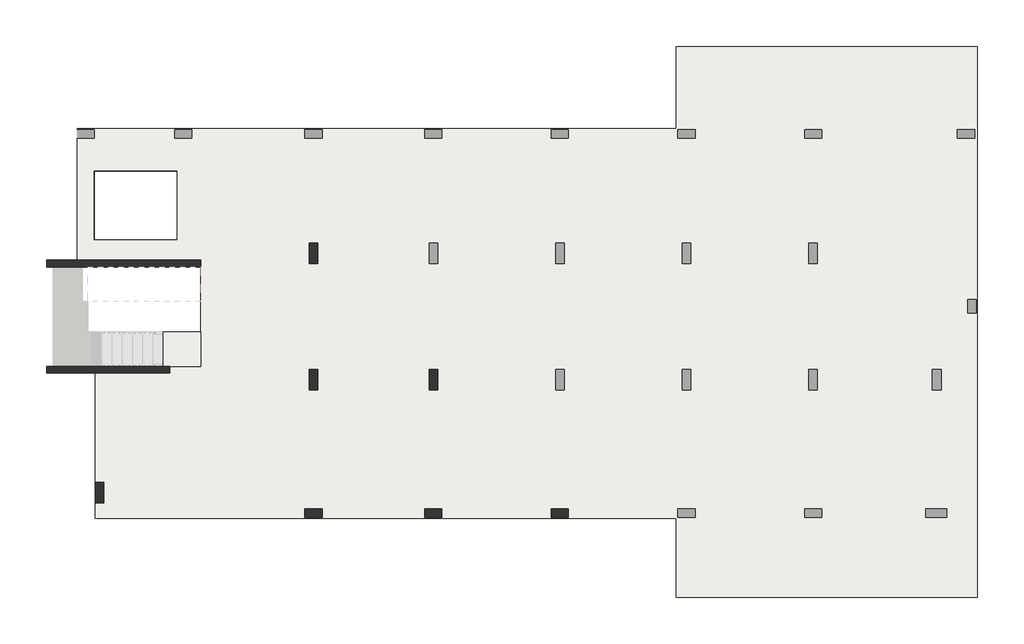
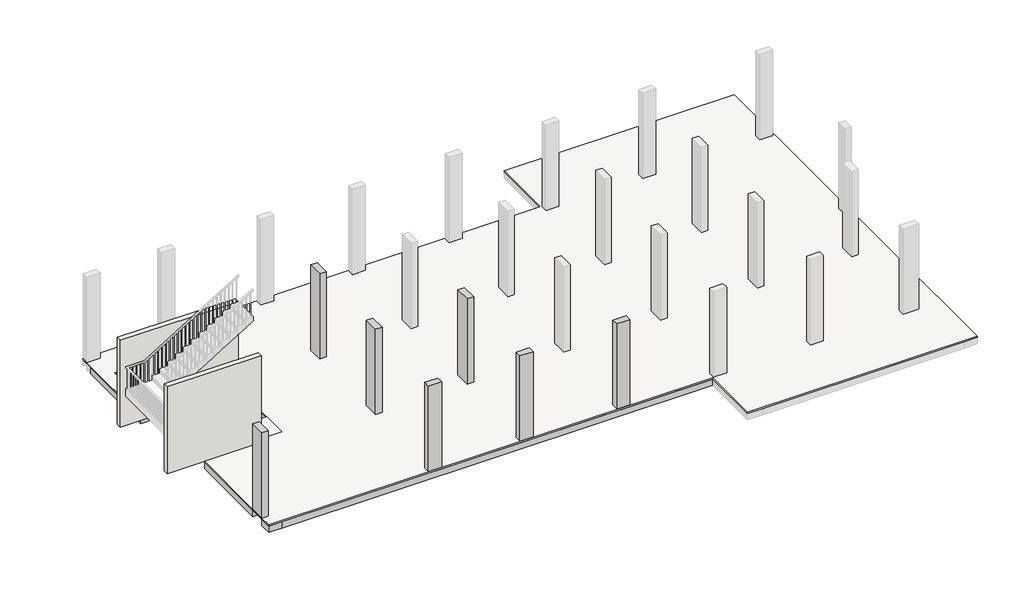
# One storey, part 1 of 5: 48 beams, 7 columns, 2 slabs, 2 walls.
"""IFC4 building model written with IfcOpenShell, lengths in millimetres."""

from ifc_helpers import new_model, si_unit, frame, origin, place, context, project, spatial, polyline, outline, extrude, faceted_brep, element, save

model = new_model("IFC4")

# Units and contexts
model_context = context("Model", 3, world=origin())
ifc_project = project(units=[si_unit("LENGTHUNIT", "METRE", prefix="MILLI")], contexts=[model_context])

# Site, building, storey
site = spatial("IfcSite", under=ifc_project)
building = spatial("IfcBuilding", under=site)
storey = spatial("IfcBuildingStorey", under=building, Elevation=7000.0)

# Beams
placement = place(None, origin())
element("IfcBeam", 1, ObjectType="B 150 x 250 mm", at=placement, inside=storey, context=model_context, shape_type="SweptSolid", body=[
    extrude(outline(polyline([(14525.0390798, -7596.8939341), (14675.0390798, -7596.8939341), (14675.0390798, -10746.893934), (14525.0390798, -10746.893934), (14525.0390798, -7596.8939341)])), frame((0.0, 0.0, 6700.0), z_axis=(0.0, 0.0, 1.0), x_axis=(1.0, 0.0, 0.0)), (0.0, 0.0, 1.0), 250.0),
])
element("IfcBeam", 2, ObjectType="B 150 x 250 mm", at=placement, inside=storey, context=model_context, shape_type="SweptSolid", body=[
    extrude(outline(polyline([(15075.0390798, -7596.8939341), (15225.0390798, -7596.8939341), (15225.0390798, -10746.893934), (15075.0390798, -10746.893934), (15075.0390798, -7596.8939341)])), frame((0.0, 0.0, 6700.0), z_axis=(0.0, 0.0, 1.0), x_axis=(1.0, 0.0, 0.0)), (0.0, 0.0, 1.0), 250.0),
])
element("IfcBeam", 3, ObjectType="B 150 x 250 mm", at=placement, inside=storey, context=model_context, shape_type="SweptSolid", body=[
    extrude(outline(polyline([(15625.0390798, -7596.8939341), (15775.0390798, -7596.8939341), (15775.0390798, -10746.893934), (15625.0390798, -10746.893934), (15625.0390798, -7596.8939341)])), frame((0.0, 0.0, 6700.0), z_axis=(0.0, 0.0, 1.0), x_axis=(1.0, 0.0, 0.0)), (0.0, 0.0, 1.0), 250.0),
])
element("IfcBeam", 4, ObjectType="B 150 x 250 mm", at=placement, inside=storey, context=model_context, shape_type="SweptSolid", body=[
    extrude(outline(polyline([(10825.0390798, -7596.8939341), (10975.0390798, -7596.8939341), (10975.0390798, -10746.893934), (10825.0390798, -10746.893934), (10825.0390798, -7596.8939341)])), frame((0.0, 0.0, 6700.0), z_axis=(0.0, 0.0, 1.0), x_axis=(1.0, 0.0, 0.0)), (0.0, 0.0, 1.0), 250.0),
])
element("IfcBeam", 5, ObjectType="B 150 x 250 mm", at=placement, inside=storey, context=model_context, shape_type="SweptSolid", body=[
    extrude(outline(polyline([(11375.0390798, -7596.8939341), (11525.0390798, -7596.8939341), (11525.0390798, -10746.893934), (11375.0390798, -10746.893934), (11375.0390798, -7596.8939341)])), frame((0.0, 0.0, 6700.0), z_axis=(0.0, 0.0, 1.0), x_axis=(1.0, 0.0, 0.0)), (0.0, 0.0, 1.0), 250.0),
])
element("IfcBeam", 6, ObjectType="B 150 x 250 mm", at=placement, inside=storey, context=model_context, shape_type="SweptSolid", body=[
    extrude(outline(polyline([(11925.0390798, -7596.8939341), (12075.0390798, -7596.8939341), (12075.0390798, -10746.893934), (11925.0390798, -10746.893934), (11925.0390798, -7596.8939341)])), frame((0.0, 0.0, 6700.0), z_axis=(0.0, 0.0, 1.0), x_axis=(1.0, 0.0, 0.0)), (0.0, 0.0, 1.0), 250.0),
])
element("IfcBeam", 7, ObjectType="B 150 x 250 mm", at=placement, inside=storey, context=model_context, shape_type="SweptSolid", body=[
    extrude(outline(polyline([(12475.0390798, -7596.8939341), (12625.0390798, -7596.8939341), (12625.0390798, -10746.893934), (12475.0390798, -10746.893934), (12475.0390798, -7596.8939341)])), frame((0.0, 0.0, 6700.0), z_axis=(0.0, 0.0, 1.0), x_axis=(1.0, 0.0, 0.0)), (0.0, 0.0, 1.0), 250.0),
])
element("IfcBeam", 8, ObjectType="B 150 x 250 mm", at=placement, inside=storey, context=model_context, shape_type="SweptSolid", body=[
    extrude(outline(polyline([(13025.0390798, -7596.8939341), (13175.0390798, -7596.8939341), (13175.0390798, -10746.893934), (13025.0390798, -10746.893934), (13025.0390798, -7596.8939341)])), frame((0.0, 0.0, 6700.0), z_axis=(0.0, 0.0, 1.0), x_axis=(1.0, 0.0, 0.0)), (0.0, 0.0, 1.0), 250.0),
])
element("IfcBeam", 9, ObjectType="B 150 x 250 mm", at=placement, inside=storey, context=model_context, shape_type="SweptSolid", body=[
    extrude(outline(polyline([(7225.0390798, -7596.8939341), (7375.0390798, -7596.8939341), (7375.0390798, -10746.893934), (7225.0390798, -10746.893934), (7225.0390798, -7596.8939341)])), frame((0.0, 0.0, 6700.0), z_axis=(0.0, 0.0, 1.0), x_axis=(1.0, 0.0, 0.0)), (0.0, 0.0, 1.0), 250.0),
])
element("IfcBeam", 10, ObjectType="B 150 x 250 mm", at=placement, inside=storey, context=model_context, shape_type="SweptSolid", body=[
    extrude(outline(polyline([(7775.0390798, -7596.8939341), (7925.0390798, -7596.8939341), (7925.0390798, -10746.893934), (7775.0390798, -10746.893934), (7775.0390798, -7596.8939341)])), frame((0.0, 0.0, 6700.0), z_axis=(0.0, 0.0, 1.0), x_axis=(1.0, 0.0, 0.0)), (0.0, 0.0, 1.0), 250.0),
])
element("IfcBeam", 11, ObjectType="B 150 x 250 mm", at=placement, inside=storey, context=model_context, shape_type="SweptSolid", body=[
    extrude(outline(polyline([(8325.0390798, -7596.8939341), (8475.0390798, -7596.8939341), (8475.0390798, -10746.893934), (8325.0390798, -10746.893934), (8325.0390798, -7596.8939341)])), frame((0.0, 0.0, 6700.0), z_axis=(0.0, 0.0, 1.0), x_axis=(1.0, 0.0, 0.0)), (0.0, 0.0, 1.0), 250.0),
])
element("IfcBeam", 12, ObjectType="B 150 x 250 mm", at=placement, inside=storey, context=model_context, shape_type="SweptSolid", body=[
    extrude(outline(polyline([(8875.0390798, -7596.8939341), (9025.0390798, -7596.8939341), (9025.0390798, -10746.893934), (8875.0390798, -10746.893934), (8875.0390798, -7596.8939341)])), frame((0.0, 0.0, 6700.0), z_axis=(0.0, 0.0, 1.0), x_axis=(1.0, 0.0, 0.0)), (0.0, 0.0, 1.0), 250.0),
])
element("IfcBeam", 13, ObjectType="B 150 x 250 mm", at=placement, inside=storey, context=model_context, shape_type="SweptSolid", body=[
    extrude(outline(polyline([(9425.0390798, -7596.8939341), (9575.0390798, -7596.8939341), (9575.0390798, -10746.893934), (9425.0390798, -10746.893934), (9425.0390798, -7596.8939341)])), frame((0.0, 0.0, 6700.0), z_axis=(0.0, 0.0, 1.0), x_axis=(1.0, 0.0, 0.0)), (0.0, 0.0, 1.0), 250.0),
])
element("IfcBeam", 14, ObjectType="B 150 x 250 mm", at=placement, inside=storey, context=model_context, shape_type="SweptSolid", body=[
    extrude(outline(polyline([(7225.0390798, -3896.893934), (7375.0390798, -3896.893934), (7375.0390798, -6796.8939341), (7225.0390798, -6796.8939341), (7225.0390798, -3896.893934)])), frame((0.0, 0.0, 6700.0), z_axis=(0.0, 0.0, 1.0), x_axis=(1.0, 0.0, 0.0)), (0.0, 0.0, 1.0), 250.0),
])
element("IfcBeam", 15, ObjectType="B 150 x 250 mm", at=placement, inside=storey, context=model_context, shape_type="SweptSolid", body=[
    extrude(outline(polyline([(7775.0390798, -3896.893934), (7925.0390798, -3896.893934), (7925.0390798, -6796.8939341), (7775.0390798, -6796.8939341), (7775.0390798, -3896.893934)])), frame((0.0, 0.0, 6700.0), z_axis=(0.0, 0.0, 1.0), x_axis=(1.0, 0.0, 0.0)), (0.0, 0.0, 1.0), 250.0),
])
element("IfcBeam", 16, ObjectType="B 150 x 250 mm", at=placement, inside=storey, context=model_context, shape_type="SweptSolid", body=[
    extrude(outline(polyline([(8325.0390798, -3896.893934), (8475.0390798, -3896.893934), (8475.0390798, -6796.8939341), (8325.0390798, -6796.8939341), (8325.0390798, -3896.893934)])), frame((0.0, 0.0, 6700.0), z_axis=(0.0, 0.0, 1.0), x_axis=(1.0, 0.0, 0.0)), (0.0, 0.0, 1.0), 250.0),
])
element("IfcBeam", 17, ObjectType="B 150 x 250 mm", at=placement, inside=storey, context=model_context, shape_type="SweptSolid", body=[
    extrude(outline(polyline([(8875.0390798, -3896.893934), (9025.0390798, -3896.893934), (9025.0390798, -6796.8939341), (8875.0390798, -6796.8939341), (8875.0390798, -3896.893934)])), frame((0.0, 0.0, 6700.0), z_axis=(0.0, 0.0, 1.0), x_axis=(1.0, 0.0, 0.0)), (0.0, 0.0, 1.0), 250.0),
])
element("IfcBeam", 18, ObjectType="B 150 x 250 mm", at=placement, inside=storey, context=model_context, shape_type="SweptSolid", body=[
    extrude(outline(polyline([(7225.0390798, -346.893934), (7375.0390798, -346.893934), (7375.0390798, -3096.893934), (7225.0390798, -3096.893934), (7225.0390798, -346.893934)])), frame((0.0, 0.0, 6700.0), z_axis=(0.0, 0.0, 1.0), x_axis=(1.0, 0.0, 0.0)), (0.0, 0.0, 1.0), 250.0),
])
element("IfcBeam", 19, ObjectType="B 150 x 250 mm", at=placement, inside=storey, context=model_context, shape_type="SweptSolid", body=[
    extrude(outline(polyline([(7775.0390798, -346.893934), (7925.0390798, -346.893934), (7925.0390798, -3096.893934), (7775.0390798, -3096.893934), (7775.0390798, -346.893934)])), frame((0.0, 0.0, 6700.0), z_axis=(0.0, 0.0, 1.0), x_axis=(1.0, 0.0, 0.0)), (0.0, 0.0, 1.0), 250.0),
])
element("IfcBeam", 20, ObjectType="B 150 x 250 mm", at=placement, inside=storey, context=model_context, shape_type="SweptSolid", body=[
    extrude(outline(polyline([(888.8989593, -7596.8939341), (888.8989593, -10746.893934), (777.7588387, -10746.893934), (777.7588387, -7596.8939341), (888.8989593, -7596.8939341)])), frame((0.0, 0.0, 6700.0), z_axis=(0.0, 0.0, 1.0), x_axis=(1.0, 0.0, 0.0)), (0.0, 0.0, 1.0), 250.0),
])
element("IfcBeam", 21, ObjectType="B 150 x 250 mm", at=placement, inside=storey, context=model_context, shape_type="SweptSolid", body=[
    extrude(outline(polyline([(1288.8989593, -7596.8939341), (1438.8989593, -7596.8939341), (1438.8989593, -10746.893934), (1288.8989593, -10746.893934), (1288.8989593, -7596.8939341)])), frame((0.0, 0.0, 6700.0), z_axis=(0.0, 0.0, 1.0), x_axis=(1.0, 0.0, 0.0)), (0.0, 0.0, 1.0), 250.0),
])
element("IfcBeam", 22, ObjectType="B 150 x 250 mm", at=placement, inside=storey, context=model_context, shape_type="SweptSolid", body=[
    extrude(outline(polyline([(1838.8989593, -7596.8939341), (1988.8989593, -7596.8939341), (1988.8989593, -10746.893934), (1838.8989593, -10746.893934), (1838.8989593, -7596.8939341)])), frame((0.0, 0.0, 6700.0), z_axis=(0.0, 0.0, 1.0), x_axis=(1.0, 0.0, 0.0)), (0.0, 0.0, 1.0), 250.0),
])
element("IfcBeam", 23, ObjectType="B 150 x 250 mm", at=placement, inside=storey, context=model_context, shape_type="SweptSolid", body=[
    extrude(outline(polyline([(2388.8989593, -7596.8939341), (2538.8989593, -7596.8939341), (2538.8989593, -10746.893934), (2388.8989593, -10746.893934), (2388.8989593, -7596.8939341)])), frame((0.0, 0.0, 6700.0), z_axis=(0.0, 0.0, 1.0), x_axis=(1.0, 0.0, 0.0)), (0.0, 0.0, 1.0), 250.0),
])
element("IfcBeam", 24, ObjectType="B 150 x 250 mm", at=placement, inside=storey, context=model_context, shape_type="SweptSolid", body=[
    extrude(outline(polyline([(2938.8989593, -7596.8939341), (3088.8989593, -7596.8939341), (3088.8989593, -10746.893934), (2938.8989593, -10746.893934), (2938.8989593, -7596.8939341)])), frame((0.0, 0.0, 6700.0), z_axis=(0.0, 0.0, 1.0), x_axis=(1.0, 0.0, 0.0)), (0.0, 0.0, 1.0), 250.0),
])
element("IfcBeam", 25, ObjectType="B 150 x 250 mm", at=placement, inside=storey, context=model_context, shape_type="SweptSolid", body=[
    extrude(outline(polyline([(3488.8989593, -7596.8939341), (3638.8989593, -7596.8939341), (3638.8989593, -10746.893934), (3488.8989593, -10746.893934), (3488.8989593, -7596.8939341)])), frame((0.0, 0.0, 6700.0), z_axis=(0.0, 0.0, 1.0), x_axis=(1.0, 0.0, 0.0)), (0.0, 0.0, 1.0), 250.0),
])
element("IfcBeam", 26, ObjectType="B 150 x 250 mm", at=placement, inside=storey, context=model_context, shape_type="SweptSolid", body=[
    extrude(outline(polyline([(4038.8989593, -7596.8939341), (4188.8989593, -7596.8939341), (4188.8989593, -10746.893934), (4038.8989593, -10746.893934), (4038.8989593, -7596.8939341)])), frame((0.0, 0.0, 6700.0), z_axis=(0.0, 0.0, 1.0), x_axis=(1.0, 0.0, 0.0)), (0.0, 0.0, 1.0), 250.0),
])
element("IfcBeam", 27, ObjectType="B 150 x 250 mm", at=placement, inside=storey, context=model_context, shape_type="SweptSolid", body=[
    extrude(outline(polyline([(4588.8989593, -7596.8939341), (4738.8989593, -7596.8939341), (4738.8989593, -10746.893934), (4588.8989593, -10746.893934), (4588.8989593, -7596.8939341)])), frame((0.0, 0.0, 6700.0), z_axis=(0.0, 0.0, 1.0), x_axis=(1.0, 0.0, 0.0)), (0.0, 0.0, 1.0), 250.0),
])
element("IfcBeam", 28, ObjectType="B 150 x 250 mm", at=placement, inside=storey, context=model_context, shape_type="SweptSolid", body=[
    extrude(outline(polyline([(5138.8989593, -7596.8939341), (5288.8989593, -7596.8939341), (5288.8989593, -10746.893934), (5138.8989593, -10746.893934), (5138.8989593, -7596.8939341)])), frame((0.0, 0.0, 6700.0), z_axis=(0.0, 0.0, 1.0), x_axis=(1.0, 0.0, 0.0)), (0.0, 0.0, 1.0), 250.0),
])
element("IfcBeam", 29, ObjectType="B 150 x 250 mm", at=placement, inside=storey, context=model_context, shape_type="SweptSolid", body=[
    extrude(outline(polyline([(5688.8989593, -7596.8939341), (5838.8989593, -7596.8939341), (5838.8989593, -10746.893934), (5688.8989593, -10746.893934), (5688.8989593, -7596.8939341)])), frame((0.0, 0.0, 6700.0), z_axis=(0.0, 0.0, 1.0), x_axis=(1.0, 0.0, 0.0)), (0.0, 0.0, 1.0), 250.0),
])
element("IfcBeam", 30, ObjectType="B 150 x 250 mm", at=placement, inside=storey, context=model_context, shape_type="SweptSolid", body=[
    extrude(outline(polyline([(6238.8989593, -10746.893934), (6238.8989593, -7596.8939341), (6350.0390798, -7596.8939341), (6350.0390798, -10746.893934), (6238.8989593, -10746.893934)])), frame((0.0, 0.0, 6700.0), z_axis=(0.0, 0.0, 1.0), x_axis=(1.0, 0.0, 0.0)), (0.0, 0.0, 1.0), 250.0),
])
element("IfcBeam", 31, ObjectType="B 150 x 250 mm", at=placement, inside=storey, context=model_context, shape_type="SweptSolid", body=[
    extrude(outline(polyline([(3925.0195399, -3896.893934), (4075.0195399, -3896.893934), (4075.0195399, -6796.8939341), (3925.0195399, -6796.8939341), (3925.0195399, -3896.893934)])), frame((0.0, 0.0, 6700.0), z_axis=(0.0, 0.0, 1.0), x_axis=(1.0, 0.0, 0.0)), (0.0, 0.0, 1.0), 250.0),
])
element("IfcBeam", 32, ObjectType="B 150 x 250 mm", at=placement, inside=storey, context=model_context, shape_type="SweptSolid", body=[
    extrude(outline(polyline([(4475.0195399, -3896.893934), (4625.0195399, -3896.893934), (4625.0195399, -6796.8939341), (4475.0195399, -6796.8939341), (4475.0195399, -3896.893934)])), frame((0.0, 0.0, 6700.0), z_axis=(0.0, 0.0, 1.0), x_axis=(1.0, 0.0, 0.0)), (0.0, 0.0, 1.0), 250.0),
])
element("IfcBeam", 33, ObjectType="B 150 x 250 mm", at=placement, inside=storey, context=model_context, shape_type="SweptSolid", body=[
    extrude(outline(polyline([(5025.0195399, -3896.893934), (5175.0195399, -3896.893934), (5175.0195399, -6796.8939341), (5025.0195399, -6796.8939341), (5025.0195399, -3896.893934)])), frame((0.0, 0.0, 6700.0), z_axis=(0.0, 0.0, 1.0), x_axis=(1.0, 0.0, 0.0)), (0.0, 0.0, 1.0), 250.0),
])
element("IfcBeam", 34, ObjectType="B 150 x 250 mm", at=placement, inside=storey, context=model_context, shape_type="SweptSolid", body=[
    extrude(outline(polyline([(5575.0195399, -3896.893934), (5725.0195399, -3896.893934), (5725.0195399, -6796.8939341), (5575.0195399, -6796.8939341), (5575.0195399, -3896.893934)])), frame((0.0, 0.0, 6700.0), z_axis=(0.0, 0.0, 1.0), x_axis=(1.0, 0.0, 0.0)), (0.0, 0.0, 1.0), 250.0),
])
element("IfcBeam", 35, ObjectType="B 150 x 250 mm", at=placement, inside=storey, context=model_context, shape_type="SweptSolid", body=[
    extrude(outline(polyline([(6125.0195399, -3896.893934), (6275.0195399, -3896.893934), (6275.0195399, -6796.8939341), (6125.0195399, -6796.8939341), (6125.0195399, -3896.893934)])), frame((0.0, 0.0, 6700.0), z_axis=(0.0, 0.0, 1.0), x_axis=(1.0, 0.0, 0.0)), (0.0, 0.0, 1.0), 250.0),
])
element("IfcBeam", 36, ObjectType="B 150 x 250 mm", at=placement, inside=storey, context=model_context, shape_type="Brep", body=[
    faceted_brep([(2664.8770182, -346.893934, 6950.0), (2814.8770182, -346.893934, 6950.0), (2814.8770182, -346.893934, 6700.0), (2664.8770182, -346.893934, 6700.0), (2664.8770182, -946.893934, 6950.0), (2664.8770182, -1096.893934, 6950.0), (2664.8770182, -3096.893934, 6950.0), (2814.8770182, -3096.893934, 6950.0), (2814.8770182, -3096.893934, 6700.0), (2664.8770182, -3096.893934, 6700.0), (2664.8770182, -1096.893934, 6700.0), (2664.8770182, -946.893934, 6700.0)], [[[0, 1, 2, 3]], [[1, 0, 4, 5, 6, 7]], [[2, 1, 7, 8]], [[3, 2, 8, 9, 10, 11]], [[0, 3, 11, 10, 9, 6, 5, 4]], [[7, 6, 9, 8]]]),
])
element("IfcBeam", 37, ObjectType="B 150 x 250 mm", at=placement, inside=storey, context=model_context, shape_type="SweptSolid", body=[
    extrude(outline(polyline([(3225.0195399, -346.893934), (3375.0195399, -346.893934), (3375.0195399, -3096.893934), (3225.0195399, -3096.893934), (3225.0195399, -346.893934)])), frame((0.0, 0.0, 6700.0), z_axis=(0.0, 0.0, 1.0), x_axis=(1.0, 0.0, 0.0)), (0.0, 0.0, 1.0), 250.0),
])
element("IfcBeam", 38, ObjectType="B 150 x 250 mm", at=placement, inside=storey, context=model_context, shape_type="SweptSolid", body=[
    extrude(outline(polyline([(3775.0195399, -346.893934), (3925.0195399, -346.893934), (3925.0195399, -3096.893934), (3775.0195399, -3096.893934), (3775.0195399, -346.893934)])), frame((0.0, 0.0, 6700.0), z_axis=(0.0, 0.0, 1.0), x_axis=(1.0, 0.0, 0.0)), (0.0, 0.0, 1.0), 250.0),
])
element("IfcBeam", 39, ObjectType="B 150 x 250 mm", at=placement, inside=storey, context=model_context, shape_type="SweptSolid", body=[
    extrude(outline(polyline([(4325.0195399, -346.893934), (4475.0195399, -346.893934), (4475.0195399, -3096.893934), (4325.0195399, -3096.893934), (4325.0195399, -346.893934)])), frame((0.0, 0.0, 6700.0), z_axis=(0.0, 0.0, 1.0), x_axis=(1.0, 0.0, 0.0)), (0.0, 0.0, 1.0), 250.0),
])
element("IfcBeam", 40, ObjectType="B 150 x 250 mm", at=placement, inside=storey, context=model_context, shape_type="SweptSolid", body=[
    extrude(outline(polyline([(4875.0195399, -346.893934), (5025.0195399, -346.893934), (5025.0195399, -3096.893934), (4875.0195399, -3096.893934), (4875.0195399, -346.893934)])), frame((0.0, 0.0, 6700.0), z_axis=(0.0, 0.0, 1.0), x_axis=(1.0, 0.0, 0.0)), (0.0, 0.0, 1.0), 250.0),
])
element("IfcBeam", 41, ObjectType="B 150 x 250 mm", at=placement, inside=storey, context=model_context, shape_type="SweptSolid", body=[
    extrude(outline(polyline([(5425.0195399, -346.893934), (5575.0195399, -346.893934), (5575.0195399, -3096.893934), (5425.0195399, -3096.893934), (5425.0195399, -346.893934)])), frame((0.0, 0.0, 6700.0), z_axis=(0.0, 0.0, 1.0), x_axis=(1.0, 0.0, 0.0)), (0.0, 0.0, 1.0), 250.0),
])
element("IfcBeam", 42, ObjectType="B 150 x 250 mm", at=placement, inside=storey, context=model_context, shape_type="SweptSolid", body=[
    extrude(outline(polyline([(5975.0195399, -346.893934), (6125.0195399, -346.893934), (6125.0195399, -3096.893934), (5975.0195399, -3096.893934), (5975.0195399, -346.893934)])), frame((0.0, 0.0, 6700.0), z_axis=(0.0, 0.0, 1.0), x_axis=(1.0, 0.0, 0.0)), (0.0, 0.0, 1.0), 250.0),
])
element("IfcBeam", 43, ObjectType="B 150 x 250 mm", at=placement, inside=storey, context=model_context, shape_type="Brep", body=[
    faceted_brep([(250.0, -946.893934, 6950.0), (250.0, -946.893934, 6700.0), (250.0, -1096.893934, 6700.0), (250.0, -1096.893934, 6950.0), (2650.0, -1096.893934, 6950.0), (2664.8770182, -1096.893934, 6950.0), (2664.8770182, -946.893934, 6950.0), (2664.8770182, -1096.893934, 6700.0), (2664.8770182, -946.893934, 6700.0)], [[[0, 1, 2, 3]], [[0, 3, 4, 5, 6]], [[3, 2, 7, 5, 4]], [[2, 1, 8, 7]], [[1, 0, 6, 8]], [[6, 5, 7, 8]]]),
])
element("IfcBeam", 44, ObjectType="B5 500 x 250 mm", at=placement, inside=storey, context=model_context, shape_type="Brep", body=[
    faceted_brep([(777.7588387, -6996.8939341, 6950.0), (277.7588387, -6996.8939341, 6950.0), (277.7588387, -10196.893934, 6950.0), (527.7588387, -10196.893934, 6950.0), (527.7588387, -10796.893934, 6950.0), (277.7588387, -10796.893934, 6950.0), (277.7588387, -11246.893934, 6950.0), (777.7588387, -11246.893934, 6950.0), (777.7588387, -10746.893934, 6950.0), (777.7588387, -7596.8939341, 6950.0), (777.7588387, -6996.8939341, 6700.0), (777.7588387, -11246.893934, 6700.0), (777.7588387, -10746.893934, 6700.0), (777.7588387, -7596.8939341, 6700.0), (277.7588387, -6996.8939341, 6700.0), (277.7588387, -11246.893934, 6700.0), (277.7588387, -10796.893934, 6700.0), (527.7588387, -10796.893934, 6700.0), (527.7588387, -10196.893934, 6700.0), (277.7588387, -10196.893934, 6700.0)], [[[0, 1, 2, 3, 4, 5, 6, 7, 8, 9]], [[10, 0, 9, 8, 7, 11, 12, 13]], [[14, 10, 13, 12, 11, 15, 16, 17, 18, 19]], [[1, 14, 19, 2]], [[1, 0, 10, 14]], [[18, 3, 2, 19]], [[4, 17, 16, 5]], [[3, 18, 17, 4]], [[15, 6, 5, 16]], [[7, 6, 15, 11]]]),
])
element("IfcBeam", 45, ObjectType="B5 500 x 250 mm", at=placement, inside=storey, context=model_context, shape_type="Brep", body=[
    faceted_brep([(25550.0000727, -11246.893934, 6950.0), (25550.0000727, -11246.893934, 6700.0), (25550.0000727, -10746.893934, 6700.0), (25550.0000727, -10746.893934, 6950.0), (25275.0195763, -10746.893934, 6950.0), (25125.0195763, -10746.893934, 6950.0), (24725.0195763, -10746.893934, 6950.0), (24575.0195763, -10746.893934, 6950.0), (24175.0195763, -10746.893934, 6950.0), (24025.0195763, -10746.893934, 6950.0), (23625.0195763, -10746.893934, 6950.0), (23475.0195763, -10746.893934, 6950.0), (23075.0195763, -10746.893934, 6950.0), (22925.0195763, -10746.893934, 6950.0), (22525.0195763, -10746.893934, 6950.0), (22375.0195763, -10746.893934, 6950.0), (21975.0195763, -10746.893934, 6950.0), (21825.0195763, -10746.893934, 6950.0), (21550.0390798, -10746.893934, 6950.0), (20950.0390798, -10746.893934, 6950.0), (20575.0390798, -10746.893934, 6950.0), (20425.0390798, -10746.893934, 6950.0), (20025.0390798, -10746.893934, 6950.0), (19875.0390798, -10746.893934, 6950.0), (19475.0390798, -10746.893934, 6950.0), (19325.0390798, -10746.893934, 6950.0), (18925.0390798, -10746.893934, 6950.0), (18775.0390798, -10746.893934, 6950.0), (18375.0390798, -10746.893934, 6950.0), (18225.0390798, -10746.893934, 6950.0), (17850.0390798, -10746.893934, 6950.0), (17250.0390798, -10746.893934, 6950.0), (16875.0390798, -10746.893934, 6950.0), (16725.0390798, -10746.893934, 6950.0), (16325.0390798, -10746.893934, 6950.0), (16175.0390798, -10746.893934, 6950.0), (15775.0390798, -10746.893934, 6950.0), (15625.0390798, -10746.893934, 6950.0), (15225.0390798, -10746.893934, 6950.0), (15075.0390798, -10746.893934, 6950.0), (14675.0390798, -10746.893934, 6950.0), (14525.0390798, -10746.893934, 6950.0), (14150.0390798, -10746.893934, 6950.0), (13550.0390798, -10746.893934, 6950.0), (13175.0390798, -10746.893934, 6950.0), (13025.0390798, -10746.893934, 6950.0), (12625.0390798, -10746.893934, 6950.0), (12475.0390798, -10746.893934, 6950.0), (12075.0390798, -10746.893934, 6950.0), (11925.0390798, -10746.893934, 6950.0), (11525.0390798, -10746.893934, 6950.0), (11375.0390798, -10746.893934, 6950.0), (10975.0390798, -10746.893934, 6950.0), (10825.0390798, -10746.893934, 6950.0), (10450.0390798, -10746.893934, 6950.0), (9850.0390798, -10746.893934, 6950.0), (9575.0390798, -10746.893934, 6950.0), (9425.0390798, -10746.893934, 6950.0), (9025.0390798, -10746.893934, 6950.0), (8875.0390798, -10746.893934, 6950.0), (8475.0390798, -10746.893934, 6950.0), (8325.0390798, -10746.893934, 6950.0), (7925.0390798, -10746.893934, 6950.0), (7775.0390798, -10746.893934, 6950.0), (7375.0390798, -10746.893934, 6950.0), (7225.0390798, -10746.893934, 6950.0), (6950.0390798, -10746.893934, 6950.0), (6350.0390798, -10746.893934, 6950.0), (6238.8989593, -10746.893934, 6950.0), (5838.8989593, -10746.893934, 6950.0), (5688.8989593, -10746.893934, 6950.0), (5288.8989593, -10746.893934, 6950.0), (5138.8989593, -10746.893934, 6950.0), (4738.8989593, -10746.893934, 6950.0), (4588.8989593, -10746.893934, 6950.0), (4188.8989593, -10746.893934, 6950.0), (4038.8989593, -10746.893934, 6950.0), (3638.8989593, -10746.893934, 6950.0), (3488.8989593, -10746.893934, 6950.0), (3088.8989593, -10746.893934, 6950.0), (2938.8989593, -10746.893934, 6950.0), (2538.8989593, -10746.893934, 6950.0), (2388.8989593, -10746.893934, 6950.0), (1988.8989593, -10746.893934, 6950.0), (1838.8989593, -10746.893934, 6950.0), (1438.8989593, -10746.893934, 6950.0), (1288.8989593, -10746.893934, 6950.0), (888.8989593, -10746.893934, 6950.0), (777.7588387, -10746.893934, 6950.0), (777.7588387, -11246.893934, 6950.0), (17250.0390798, -11246.893934, 6950.0), (17850.0390798, -11246.893934, 6950.0), (18225.0390798, -11246.893934, 6950.0), (18375.0390798, -11246.893934, 6950.0), (18775.0390798, -11246.893934, 6950.0), (18925.0390798, -11246.893934, 6950.0), (19325.0390798, -11246.893934, 6950.0), (19475.0390798, -11246.893934, 6950.0), (19875.0390798, -11246.893934, 6950.0), (20025.0390798, -11246.893934, 6950.0), (20425.0390798, -11246.893934, 6950.0), (20575.0390798, -11246.893934, 6950.0), (20950.0390798, -11246.893934, 6950.0), (21550.0390798, -11246.893934, 6950.0), (21825.0195763, -11246.893934, 6950.0), (21975.0195763, -11246.893934, 6950.0), (22375.0195763, -11246.893934, 6950.0), (22525.0195763, -11246.893934, 6950.0), (22925.0195763, -11246.893934, 6950.0), (23075.0195763, -11246.893934, 6950.0), (23475.0195763, -11246.893934, 6950.0), (23625.0195763, -11246.893934, 6950.0), (24025.0195763, -11246.893934, 6950.0), (24175.0195763, -11246.893934, 6950.0), (24575.0195763, -11246.893934, 6950.0), (24725.0195763, -11246.893934, 6950.0), (25125.0195763, -11246.893934, 6950.0), (25275.0195763, -11246.893934, 6950.0), (25146.5, -11220.893934, 6950.0), (24546.5, -11220.893934, 6950.0), (24546.5, -10970.893934, 6950.0), (25146.5, -10970.893934, 6950.0), (21500.0390798, -11221.8939341, 6950.0), (21000.0390798, -11221.8939341, 6950.0), (21000.0390798, -10971.8939341, 6950.0), (21500.0390798, -10971.8939341, 6950.0), (17800.0390798, -11221.8939341, 6950.0), (17300.0390798, -11221.8939341, 6950.0), (17300.0390798, -10971.8939341, 6950.0), (17800.0390798, -10971.8939341, 6950.0), (14100.0390798, -11221.8939341, 6950.0), (13600.0390798, -11221.8939341, 6950.0), (13600.0390798, -10971.8939341, 6950.0), (14100.0390798, -10971.8939341, 6950.0), (10400.0390798, -11221.8939341, 6950.0), (9900.0390798, -11221.8939341, 6950.0), (9900.0390798, -10971.8939341, 6950.0), (10400.0390798, -10971.8939341, 6950.0), (6900.0390798, -11221.8939341, 6950.0), (6400.0390798, -11221.8939341, 6950.0), (6400.0390798, -10971.8939341, 6950.0), (6900.0390798, -10971.8939341, 6950.0), (25275.0195763, -10746.893934, 6700.0), (25125.0195763, -10746.893934, 6700.0), (24725.0195763, -10746.893934, 6700.0), (24575.0195763, -10746.893934, 6700.0), (24175.0195763, -10746.893934, 6700.0), (24025.0195763, -10746.893934, 6700.0), (23625.0195763, -10746.893934, 6700.0), (23475.0195763, -10746.893934, 6700.0), (23075.0195763, -10746.893934, 6700.0), (22925.0195763, -10746.893934, 6700.0), (22525.0195763, -10746.893934, 6700.0), (22375.0195763, -10746.893934, 6700.0), (21975.0195763, -10746.893934, 6700.0), (21825.0195763, -10746.893934, 6700.0), (21550.0390798, -10746.893934, 6700.0), (20950.0390798, -10746.893934, 6700.0), (20575.0390798, -10746.893934, 6700.0), (20425.0390798, -10746.893934, 6700.0), (20025.0390798, -10746.893934, 6700.0), (19875.0390798, -10746.893934, 6700.0), (19475.0390798, -10746.893934, 6700.0), (19325.0390798, -10746.893934, 6700.0), (18925.0390798, -10746.893934, 6700.0), (18775.0390798, -10746.893934, 6700.0), (18375.0390798, -10746.893934, 6700.0), (18225.0390798, -10746.893934, 6700.0), (17850.0390798, -10746.893934, 6700.0), (17250.0390798, -10746.893934, 6700.0), (16875.0390798, -10746.893934, 6700.0), (16725.0390798, -10746.893934, 6700.0), (16325.0390798, -10746.893934, 6700.0), (16175.0390798, -10746.893934, 6700.0), (15775.0390798, -10746.893934, 6700.0), (15625.0390798, -10746.893934, 6700.0), (15225.0390798, -10746.893934, 6700.0), (15075.0390798, -10746.893934, 6700.0), (14675.0390798, -10746.893934, 6700.0), (14525.0390798, -10746.893934, 6700.0), (14150.0390798, -10746.893934, 6700.0), (13550.0390798, -10746.893934, 6700.0), (13175.0390798, -10746.893934, 6700.0), (13025.0390798, -10746.893934, 6700.0), (12625.0390798, -10746.893934, 6700.0), (12475.0390798, -10746.893934, 6700.0), (12075.0390798, -10746.893934, 6700.0), (11925.0390798, -10746.893934, 6700.0), (11525.0390798, -10746.893934, 6700.0), (11375.0390798, -10746.893934, 6700.0), (10975.0390798, -10746.893934, 6700.0), (10825.0390798, -10746.893934, 6700.0), (10450.0390798, -10746.893934, 6700.0), (9850.0390798, -10746.893934, 6700.0), (9575.0390798, -10746.893934, 6700.0), (9425.0390798, -10746.893934, 6700.0), (9025.0390798, -10746.893934, 6700.0), (8875.0390798, -10746.893934, 6700.0), (8475.0390798, -10746.893934, 6700.0), (8325.0390798, -10746.893934, 6700.0), (7925.0390798, -10746.893934, 6700.0), (7775.0390798, -10746.893934, 6700.0), (7375.0390798, -10746.893934, 6700.0), (7225.0390798, -10746.893934, 6700.0), (6950.0390798, -10746.893934, 6700.0), (6350.0390798, -10746.893934, 6700.0), (6238.8989593, -10746.893934, 6700.0), (5838.8989593, -10746.893934, 6700.0), (5688.8989593, -10746.893934, 6700.0), (5288.8989593, -10746.893934, 6700.0), (5138.8989593, -10746.893934, 6700.0), (4738.8989593, -10746.893934, 6700.0), (4588.8989593, -10746.893934, 6700.0), (4188.8989593, -10746.893934, 6700.0), (4038.8989593, -10746.893934, 6700.0), (3638.8989593, -10746.893934, 6700.0), (3488.8989593, -10746.893934, 6700.0), (3088.8989593, -10746.893934, 6700.0), (2938.8989593, -10746.893934, 6700.0), (2538.8989593, -10746.893934, 6700.0), (2388.8989593, -10746.893934, 6700.0), (1988.8989593, -10746.893934, 6700.0), (1838.8989593, -10746.893934, 6700.0), (1438.8989593, -10746.893934, 6700.0), (1288.8989593, -10746.893934, 6700.0), (888.8989593, -10746.893934, 6700.0), (777.7588387, -10746.893934, 6700.0), (25275.0195763, -11246.893934, 6700.0), (25125.0195763, -11246.893934, 6700.0), (24725.0195763, -11246.893934, 6700.0), (24575.0195763, -11246.893934, 6700.0), (24175.0195763, -11246.893934, 6700.0), (24025.0195763, -11246.893934, 6700.0), (23625.0195763, -11246.893934, 6700.0), (23475.0195763, -11246.893934, 6700.0), (23075.0195763, -11246.893934, 6700.0), (22925.0195763, -11246.893934, 6700.0), (22525.0195763, -11246.893934, 6700.0), (22375.0195763, -11246.893934, 6700.0), (21975.0195763, -11246.893934, 6700.0), (21825.0195763, -11246.893934, 6700.0), (21550.0390798, -11246.893934, 6700.0), (20950.0390798, -11246.893934, 6700.0), (20575.0390798, -11246.893934, 6700.0), (20425.0390798, -11246.893934, 6700.0), (20025.0390798, -11246.893934, 6700.0), (19875.0390798, -11246.893934, 6700.0), (19475.0390798, -11246.893934, 6700.0), (19325.0390798, -11246.893934, 6700.0), (18925.0390798, -11246.893934, 6700.0), (18775.0390798, -11246.893934, 6700.0), (18375.0390798, -11246.893934, 6700.0), (18225.0390798, -11246.893934, 6700.0), (17850.0390798, -11246.893934, 6700.0), (17250.0390798, -11246.893934, 6700.0), (777.7588387, -11246.893934, 6700.0), (24546.5, -11220.893934, 6700.0), (25146.5, -11220.893934, 6700.0), (25146.5, -10970.893934, 6700.0), (24546.5, -10970.893934, 6700.0), (21000.0390798, -11221.8939341, 6700.0), (21500.0390798, -11221.8939341, 6700.0), (21500.0390798, -10971.8939341, 6700.0), (21000.0390798, -10971.8939341, 6700.0), (17300.0390798, -11221.8939341, 6700.0), (17800.0390798, -11221.8939341, 6700.0), (17800.0390798, -10971.8939341, 6700.0), (17300.0390798, -10971.8939341, 6700.0), (13600.0390798, -11221.8939341, 6700.0), (14100.0390798, -11221.8939341, 6700.0), (14100.0390798, -10971.8939341, 6700.0), (13600.0390798, -10971.8939341, 6700.0), (9900.0390798, -11221.8939341, 6700.0), (10400.0390798, -11221.8939341, 6700.0), (10400.0390798, -10971.8939341, 6700.0), (9900.0390798, -10971.8939341, 6700.0), (6400.0390798, -11221.8939341, 6700.0), (6900.0390798, -11221.8939341, 6700.0), (6900.0390798, -10971.8939341, 6700.0), (6400.0390798, -10971.8939341, 6700.0)], [[[0, 1, 2, 3]], [[0, 3, 4, 5, 6, 7, 8, 9, 10, 11, 12, 13, 14, 15, 16, 17, 18, 19, 20, 21, 22, 23, 24, 25, 26, 27, 28, 29, 30, 31, 32, 33, 34, 35, 36, 37, 38, 39, 40, 41, 42, 43, 44, 45, 46, 47, 48, 49, 50, 51, 52, 53, 54, 55, 56, 57, 58, 59, 60, 61, 62, 63, 64, 65, 66, 67, 68, 69, 70, 71, 72, 73, 74, 75, 76, 77, 78, 79, 80, 81, 82, 83, 84, 85, 86, 87, 88, 89, 90, 91, 92, 93, 94, 95, 96, 97, 98, 99, 100, 101, 102, 103, 104, 105, 106, 107, 108, 109, 110, 111, 112, 113, 114, 115, 116, 117], [118, 119, 120, 121], [122, 123, 124, 125], [126, 127, 128, 129], [130, 131, 132, 133], [134, 135, 136, 137], [138, 139, 140, 141]], [[3, 2, 142, 143, 144, 145, 146, 147, 148, 149, 150, 151, 152, 153, 154, 155, 156, 157, 158, 159, 160, 161, 162, 163, 164, 165, 166, 167, 168, 169, 170, 171, 172, 173, 174, 175, 176, 177, 178, 179, 180, 181, 182, 183, 184, 185, 186, 187, 188, 189, 190, 191, 192, 193, 194, 195, 196, 197, 198, 199, 200, 201, 202, 203, 204, 205, 206, 207, 208, 209, 210, 211, 212, 213, 214, 215, 216, 217, 218, 219, 220, 221, 222, 223, 224, 225, 226, 88, 87, 86, 85, 84, 83, 82, 81, 80, 79, 78, 77, 76, 75, 74, 73, 72, 71, 70, 69, 68, 67, 66, 65, 64, 63, 62, 61, 60, 59, 58, 57, 56, 55, 54, 53, 52, 51, 50, 49, 48, 47, 46, 45, 44, 43, 42, 41, 40, 39, 38, 37, 36, 35, 34, 33, 32, 31, 30, 29, 28, 27, 26, 25, 24, 23, 22, 21, 20, 19, 18, 17, 16, 15, 14, 13, 12, 11, 10, 9, 8, 7, 6, 5, 4]], [[2, 1, 227, 228, 229, 230, 231, 232, 233, 234, 235, 236, 237, 238, 239, 240, 241, 242, 243, 244, 245, 246, 247, 248, 249, 250, 251, 252, 253, 254, 255, 226, 225, 224, 223, 222, 221, 220, 219, 218, 217, 216, 215, 214, 213, 212, 211, 210, 209, 208, 207, 206, 205, 204, 203, 202, 201, 200, 199, 198, 197, 196, 195, 194, 193, 192, 191, 190, 189, 188, 187, 186, 185, 184, 183, 182, 181, 180, 179, 178, 177, 176, 175, 174, 173, 172, 171, 170, 169, 168, 167, 166, 165, 164, 163, 162, 161, 160, 159, 158, 157, 156, 155, 154, 153, 152, 151, 150, 149, 148, 147, 146, 145, 144, 143, 142], [256, 257, 258, 259], [260, 261, 262, 263], [264, 265, 266, 267], [268, 269, 270, 271], [272, 273, 274, 275], [276, 277, 278, 279]], [[1, 0, 117, 116, 115, 114, 113, 112, 111, 110, 109, 108, 107, 106, 105, 104, 103, 102, 101, 100, 99, 98, 97, 96, 95, 94, 93, 92, 91, 90, 89, 255, 254, 253, 252, 251, 250, 249, 248, 247, 246, 245, 244, 243, 242, 241, 240, 239, 238, 237, 236, 235, 234, 233, 232, 231, 230, 229, 228, 227]], [[118, 257, 256, 119]], [[257, 118, 121, 258]], [[258, 121, 120, 259]], [[119, 256, 259, 120]], [[122, 261, 260, 123]], [[261, 122, 125, 262]], [[262, 125, 124, 263]], [[123, 260, 263, 124]], [[126, 265, 264, 127]], [[265, 126, 129, 266]], [[266, 129, 128, 267]], [[127, 264, 267, 128]], [[130, 269, 268, 131]], [[269, 130, 133, 270]], [[270, 133, 132, 271]], [[131, 268, 271, 132]], [[134, 273, 272, 135]], [[273, 134, 137, 274]], [[274, 137, 136, 275]], [[135, 272, 275, 136]], [[138, 277, 276, 139]], [[277, 138, 141, 278]], [[278, 141, 140, 279]], [[139, 276, 279, 140]], [[89, 88, 226, 255]]]),
])
element("IfcBeam", 46, ObjectType="B5 500 x 250 mm", at=placement, inside=storey, context=model_context, shape_type="Brep", body=[
    faceted_brep([(250.0, -346.893934, 6950.0), (-250.0, -346.893934, 6950.0), (-250.0, -3696.893934, 6950.0), (250.0, -3696.893934, 6950.0), (250.0, -3096.893934, 6950.0), (250.0, -1096.893934, 6950.0), (250.0, -946.893934, 6950.0), (-250.0, -346.893934, 6700.0), (-250.0, -3696.893934, 6700.0), (250.0, -346.893934, 6700.0), (250.0, -946.893934, 6700.0), (250.0, -1096.893934, 6700.0), (250.0, -3096.893934, 6700.0), (250.0, -3696.893934, 6700.0)], [[[0, 1, 2, 3, 4, 5, 6]], [[1, 7, 8, 2]], [[7, 9, 10, 11, 12, 13, 8]], [[9, 0, 6, 5, 4, 3, 13, 12, 11, 10]], [[1, 0, 9, 7]], [[3, 2, 8, 13]]]),
])
element("IfcBeam", 47, ObjectType="B5 500 x 250 mm", at=placement, inside=storey, context=model_context, shape_type="Brep", body=[
    faceted_brep([(3350.0, -6796.8939341, 6950.0), (3850.0, -6796.8939341, 6950.0), (3850.0, -3896.893934, 6950.0), (3350.0, -3896.893934, 6950.0), (3350.0, -6796.8939341, 6700.0), (3350.0, -3896.893934, 6700.0), (3350.0, -5796.8939341, 6700.0), (3850.0, -6796.8939341, 6700.0), (3850.0, -3896.893934, 6700.0)], [[[0, 1, 2, 3]], [[4, 0, 3, 5, 6]], [[7, 4, 6, 5, 8]], [[1, 7, 8, 2]], [[1, 0, 4, 7]], [[3, 2, 8, 5]]]),
])
element("IfcBeam", 48, ObjectType="B6 600 x 250 mm", at=placement, inside=storey, context=model_context, shape_type="SweptSolid", body=[
    extrude(outline(polyline([(6350.0390798, -346.893934), (6950.0390798, -346.893934), (6950.0390798, -3096.893934), (6350.0390798, -3096.893934), (6350.0390798, -346.893934)])), frame((0.0, 0.0, 6700.0), z_axis=(0.0, 0.0, 1.0), x_axis=(1.0, 0.0, 0.0)), (0.0, 0.0, 1.0), 250.0),
    extrude(outline(polyline([(6950.0390798, -10746.893934), (6350.0390798, -10746.893934), (6350.0390798, -7596.8939341), (6950.0390798, -7596.8939341), (6950.0390798, -10746.893934)])), frame((0.0, 0.0, 6700.0), z_axis=(0.0, 0.0, 1.0), x_axis=(1.0, 0.0, 0.0)), (0.0, 0.0, 1.0), 250.0),
    extrude(outline(polyline([(6950.0390798, -6796.8939341), (6350.0390798, -6796.8939341), (6350.0390798, -3896.893934), (6950.0390798, -3896.893934), (6950.0390798, -6796.8939341)])), frame((0.0, 0.0, 6700.0), z_axis=(0.0, 0.0, 1.0), x_axis=(1.0, 0.0, 0.0)), (0.0, 0.0, 1.0), 250.0),
])

# Columns
element("IfcColumn", 49, ObjectType="C1 25 x 50mm", at=placement, inside=storey, context=model_context, shape_type="SweptSolid", body=[
    extrude(outline(polyline([(13600.0390798, -10971.8939341), (14100.0390798, -10971.8939341), (14100.0390798, -11221.8939341), (13600.0390798, -11221.8939341), (13600.0390798, -10971.8939341)])), frame((0.0, 0.0, 7000.0), z_axis=(0.0, 0.0, 1.0), x_axis=(1.0, 0.0, 0.0)), (0.0, 0.0, 1.0), 3450.0),
])
element("IfcColumn", 50, ObjectType="C1 25 x 50mm", at=placement, inside=storey, context=model_context, shape_type="SweptSolid", body=[
    extrude(outline(polyline([(9900.0390798, -10971.8939341), (10400.0390798, -10971.8939341), (10400.0390798, -11221.8939341), (9900.0390798, -11221.8939341), (9900.0390798, -10971.8939341)])), frame((0.0, 0.0, 7000.0), z_axis=(0.0, 0.0, 1.0), x_axis=(1.0, 0.0, 0.0)), (0.0, 0.0, 1.0), 3450.0),
])
element("IfcColumn", 51, ObjectType="C1 25 x 50mm", at=placement, inside=storey, context=model_context, shape_type="SweptSolid", body=[
    extrude(outline(polyline([(6400.0390798, -10971.8939341), (6900.0390798, -10971.8939341), (6900.0390798, -11221.8939341), (6400.0390798, -11221.8939341), (6400.0390798, -10971.8939341)])), frame((0.0, 0.0, 7000.0), z_axis=(0.0, 0.0, 1.0), x_axis=(1.0, 0.0, 0.0)), (0.0, 0.0, 1.0), 3450.0),
])
element("IfcColumn", 52, ObjectType="C2 25 x 60 mm", at=placement, inside=storey, context=model_context, shape_type="Brep", body=[
    faceted_brep([(6775.0390798, -3196.893934, 7000.0), (6775.0390798, -3796.893934, 7000.0), (6525.0390798, -3796.893934, 7000.0), (6525.0390798, -3196.893934, 7000.0), (6525.0390798, -3196.893934, 10200.0), (6525.0390798, -3196.893934, 10450.0), (6775.0390798, -3196.893934, 10450.0), (6775.0390798, -3196.893934, 10200.0), (6525.0390798, -3796.893934, 10200.0), (6525.0390798, -3796.893934, 10450.0), (6775.0390798, -3796.893934, 10200.0), (6775.0390798, -3796.893934, 10450.0)], [[[0, 1, 2, 3]], [[0, 3, 4, 5, 6, 7]], [[3, 2, 8, 9, 5, 4]], [[2, 1, 10, 11, 9, 8]], [[1, 0, 7, 6, 11, 10]], [[6, 5, 9, 11]]]),
])
element("IfcColumn", 53, ObjectType="C2 25 x 60 mm", at=placement, inside=storey, context=model_context, shape_type="Brep", body=[
    faceted_brep([(10275.0390798, -6896.8939341, 7000.0), (10275.0390798, -7496.8939341, 7000.0), (10025.0390798, -7496.8939341, 7000.0), (10025.0390798, -6896.8939341, 7000.0), (10025.0390798, -6896.8939341, 10200.0), (10025.0390798, -6896.8939341, 10450.0), (10275.0390798, -6896.8939341, 10450.0), (10275.0390798, -6896.8939341, 10200.0), (10025.0390798, -7496.8939341, 10200.0), (10025.0390798, -7496.8939341, 10450.0), (10275.0390798, -7496.8939341, 10200.0), (10275.0390798, -7496.8939341, 10450.0)], [[[0, 1, 2, 3]], [[0, 3, 4, 5, 6, 7]], [[3, 2, 8, 9, 5, 4]], [[2, 1, 10, 11, 9, 8]], [[1, 0, 7, 6, 11, 10]], [[6, 5, 9, 11]]]),
])
element("IfcColumn", 54, ObjectType="C2 25 x 60 mm", at=placement, inside=storey, context=model_context, shape_type="Brep", body=[
    faceted_brep([(6775.0390798, -6896.8939341, 7000.0), (6775.0390798, -7496.8939341, 7000.0), (6525.0390798, -7496.8939341, 7000.0), (6525.0390798, -6896.8939341, 7000.0), (6525.0390798, -6896.8939341, 10200.0), (6525.0390798, -6896.8939341, 10450.0), (6775.0390798, -6896.8939341, 10450.0), (6775.0390798, -6896.8939341, 10200.0), (6525.0390798, -7496.8939341, 10200.0), (6525.0390798, -7496.8939341, 10450.0), (6775.0390798, -7496.8939341, 10200.0), (6775.0390798, -7496.8939341, 10450.0)], [[[0, 1, 2, 3]], [[0, 3, 4, 5, 6, 7]], [[3, 2, 8, 9, 5, 4]], [[2, 1, 10, 11, 9, 8]], [[1, 0, 7, 6, 11, 10]], [[6, 5, 9, 11]]]),
])
element("IfcColumn", 55, ObjectType="C2 25 x 60 mm", at=placement, inside=storey, context=model_context, shape_type="Brep", body=[
    faceted_brep([(527.7588387, -10196.893934, 7000.0), (527.7588387, -10796.893934, 7000.0), (277.7588387, -10796.893934, 7000.0), (277.7588387, -10196.893934, 7000.0), (277.7588387, -10196.893934, 10200.0), (277.7588387, -10196.893934, 10450.0), (527.7588387, -10196.893934, 10450.0), (527.7588387, -10196.893934, 10200.0), (277.7588387, -10796.893934, 10200.0), (277.7588387, -10796.893934, 10450.0), (527.7588387, -10796.893934, 10200.0), (527.7588387, -10796.893934, 10450.0)], [[[0, 1, 2, 3]], [[0, 3, 4, 5, 6, 7]], [[3, 2, 8, 9, 5, 4]], [[2, 1, 10, 11, 9, 8]], [[1, 0, 7, 6, 11, 10]], [[6, 5, 9, 11]]]),
])

# Slabs
element("IfcSlab", 56, at=placement, inside=storey, context=model_context, shape_type="Brep", body=[
    faceted_brep([(26050.0000727, 2553.106066, 6950.0), (26050.0000727, -13546.8939341, 6950.0), (25550.0000727, -13546.8939341, 6950.0), (17850.0390798, -13546.8939341, 6950.0), (17250.0390798, -13546.8939341, 6950.0), (17250.0390798, -11246.893934, 6950.0), (777.7588387, -11246.893934, 6950.0), (277.7588387, -11246.893934, 6950.0), (277.7588387, -10796.893934, 6950.0), (277.7588387, -10196.893934, 6950.0), (277.7588387, -6996.8939341, 6950.0), (777.7588387, -6996.8939341, 6950.0), (2450.0, -6996.8939341, 6950.0), (2450.0, -6796.8939341, 6950.0), (3350.0, -6796.8939341, 6950.0), (3350.0, -3896.893934, 6950.0), (3350.0, -3696.893934, 6950.0), (250.0, -3696.893934, 6950.0), (-250.0, -3696.893934, 6950.0), (-250.0, -346.893934, 6950.0), (-250.0, -121.893934, 6950.0), (-250.0, 128.106066, 6950.0), (-250.0, 153.106066, 6950.0), (17250.0390798, 153.106066, 6950.0), (17250.0390798, 2553.106066, 6950.0), (17850.0390798, 2553.106066, 6950.0), (20950.0390798, 2553.106066, 6950.0), (21550.0390798, 2553.106066, 6950.0), (25550.0000727, 2553.106066, 6950.0), (2650.0, -1096.893934, 6950.0), (250.0, -1096.893934, 6950.0), (250.0, -3096.893934, 6950.0), (2650.0, -3096.893934, 6950.0), (26050.0000727, -13546.8939341, 7000.0), (26050.0000727, 2553.106066, 7000.0), (17250.0390798, 2553.106066, 7000.0), (17250.0390798, 153.106066, 7000.0), (-250.0, 153.106066, 7000.0), (-250.0, 128.106066, 7000.0), (-250.0, -121.893934, 7000.0), (-250.0, -3696.893934, 7000.0), (3350.0, -3696.893934, 7000.0), (3350.0, -6796.8939341, 7000.0), (2450.0, -6796.8939341, 7000.0), (2450.0, -6996.8939341, 7000.0), (277.7588387, -6996.8939341, 7000.0), (277.7588387, -10196.893934, 7000.0), (277.7588387, -10796.893934, 7000.0), (277.7588387, -11246.893934, 7000.0), (17250.0390798, -11246.893934, 7000.0), (17250.0390798, -13546.8939341, 7000.0), (250.0, -1096.893934, 7000.0), (2650.0, -1096.893934, 7000.0), (2650.0, -3096.893934, 7000.0), (250.0, -3096.893934, 7000.0)], [[[0, 1, 2, 3, 4, 5, 6, 7, 8, 9, 10, 11, 12, 13, 14, 15, 16, 17, 18, 19, 20, 21, 22, 23, 24, 25, 26, 27, 28], [29, 30, 31, 32]], [[33, 34, 35, 36, 37, 38, 39, 40, 41, 42, 43, 44, 45, 46, 47, 48, 49, 50], [51, 52, 53, 54]], [[1, 0, 34, 33]], [[4, 3, 2, 1, 33, 50]], [[5, 4, 50, 49]], [[7, 6, 5, 49, 48]], [[10, 9, 8, 7, 48, 47, 46, 45]], [[12, 11, 10, 45, 44]], [[13, 12, 44, 43]], [[14, 13, 43, 42]], [[16, 15, 14, 42, 41]], [[18, 17, 16, 41, 40]], [[22, 21, 20, 19, 18, 40, 39, 38, 37]], [[23, 22, 37, 36]], [[24, 23, 36, 35]], [[0, 28, 27, 26, 25, 24, 35, 34]], [[29, 52, 51, 30]], [[30, 51, 54, 31]], [[31, 54, 53, 32]], [[52, 29, 32, 53]]]),
])
element("IfcSlab", 57, at=placement, inside=storey, context=model_context, shape_type="Brep", body=[
    faceted_brep([(1963.3, -5796.8939341, 6700.0), (3350.0, -5796.8939341, 6700.0), (3350.0, -6796.8939341, 6700.0), (2450.0, -6796.8939341, 6700.0), (1963.3, -6796.8939341, 6700.0), (1963.3, -5796.8939341, 7000.0), (1963.3, -6796.8939341, 7000.0), (3350.0, -6796.8939341, 7000.0), (3350.0, -5796.8939341, 7000.0), (3350.0, -6796.8939341, 6950.0)], [[[0, 1, 2, 3, 4]], [[5, 6, 7, 8]], [[1, 0, 5, 8]], [[2, 1, 8, 7, 9]], [[4, 3, 2, 9, 7, 6]], [[0, 4, 6, 5]]]),
])

# Walls
element("IfcWall", 58, at=placement, inside=storey, context=model_context, shape_type="Brep", body=[
    faceted_brep([(-1150.0, -3896.893934, 7000.0), (3350.0, -3896.893934, 7000.0), (3350.0, -3896.893934, 10200.0), (3350.0, -3896.893934, 10450.0), (3350.0, -3896.893934, 10500.0), (-1150.0, -3896.893934, 10500.0), (-1150.0, -3696.893934, 7000.0), (-1150.0, -3696.893934, 10500.0), (3350.0, -3696.893934, 10500.0), (3350.0, -3696.893934, 10450.0), (3350.0, -3696.893934, 10200.0), (3350.0, -3696.893934, 7000.0)], [[[0, 1, 2, 3, 4, 5]], [[6, 7, 8, 9, 10, 11]], [[1, 0, 6, 11]], [[4, 3, 2, 1, 11, 10, 9, 8]], [[5, 4, 8, 7]], [[0, 5, 7, 6]]]),
])
element("IfcWall", 59, at=placement, inside=storey, context=model_context, shape_type="Brep", body=[
    faceted_brep([(-1150.0, -6996.8939341, 7000.0), (2450.0, -6996.8939341, 7000.0), (2450.0, -6996.8939341, 10200.0), (2450.0, -6996.8939341, 10450.0), (2450.0, -6996.8939341, 10500.0), (-1150.0, -6996.8939341, 10500.0), (-1150.0, -6796.8939341, 7000.0), (-1150.0, -6796.8939341, 10500.0), (2450.0, -6796.8939341, 10500.0), (2450.0, -6796.8939341, 10450.0), (2450.0, -6796.8939341, 10200.0), (2450.0, -6796.8939341, 7000.0)], [[[0, 1, 2, 3, 4, 5]], [[6, 7, 8, 9, 10, 11]], [[1, 0, 6, 11]], [[4, 3, 2, 1, 11, 10, 9, 8]], [[5, 4, 8, 7]], [[0, 5, 7, 6]]]),
])

save(model, "model.ifc")
